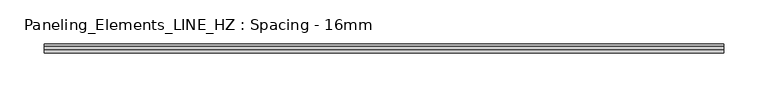
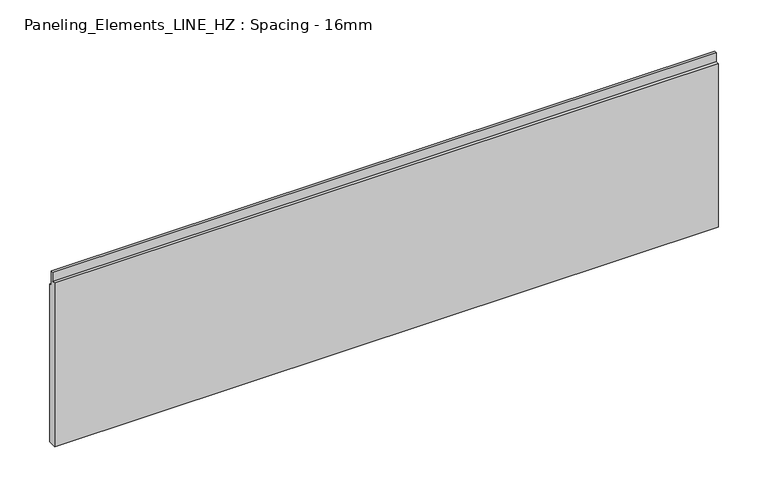
"""IFC4 building model written with IfcOpenShell, lengths in millimetres: plate geometry, Paneling_Elements_LINE_HZ : Spacing - 16mm."""

from ifc_helpers import new_model, si_unit, frame, origin, place, context, project, spatial, polyline, outline, extrude, source, transform, mapped, element, save


def paneling_elements_line_hz_spacing_16mm_f01266a1(model_context):
    return source(origin(), model_context, "Body", "SweptSolid", [
        extrude(outline(polyline([(5.0, 0.0), (-5.0, 0.0), (-5.0, 200.0), (-1.0, 200.0), (-1.0, 211.0), (2.0, 211.0), (2.0, 193.0), (5.0, 193.0), (5.0, 0.0)])), frame((-383.4, 0.0, 0.0), z_axis=(1.0, 0.0, 0.0), x_axis=(0.0, 1.0, 0.0)), (0.0, 0.0, 1.0), 766.8),
    ])


if __name__ == "__main__":
    model = new_model("IFC4")
    model_context = context("Model", 3, world=origin())
    ifc_project = project(units=[si_unit("LENGTHUNIT", "METRE", prefix="MILLI")], contexts=[model_context])
    site = spatial("IfcSite", under=ifc_project)
    building = spatial("IfcBuilding", under=site)
    placement = place(None, origin())
    paneling_elements_line_hz_spacing_16mm_shape = paneling_elements_line_hz_spacing_16mm_f01266a1(model_context)
    element("IfcPlate", 1, ObjectType="Paneling_Elements_LINE_HZ : Spacing - 16mm", at=placement, inside=building, context=model_context, shape_type="MappedRepresentation", body=[
        mapped(paneling_elements_line_hz_spacing_16mm_shape, transform((0.0, 0.0, 0.0), x_axis=(1.0, 0.0, 0.0), y_axis=(0.0, 1.0, 0.0), z_axis=(0.0, 0.0, 1.0))),
    ])
    save(model, "model.ifc")
